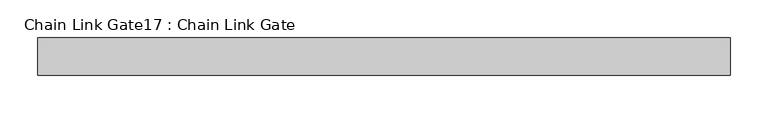
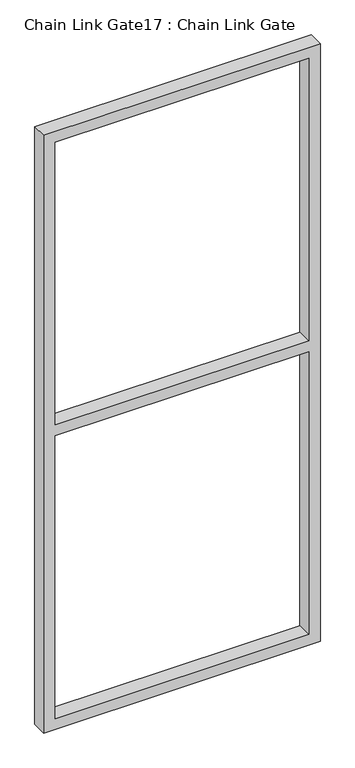
"""IFC4 building model written with IfcOpenShell, lengths in millimetres: proxy geometry, Chain Link Gate17 : Chain Link Gate."""

from ifc_helpers import new_model, si_unit, frame, origin, place, context, project, spatial, polyline, outline, extrude, source, transform, mapped, element, save


def chain_link_gate17_chain_link_gate_a4f218e4(model_context):
    return source(origin(), model_context, "Body", "SweptSolid", [
        extrude(outline(polyline([(2120.9, -26318.8012828), (12.7, -26318.8012828), (12.7, -25394.8762828), (2120.9, -25394.8762828), (2120.9, -26318.8012828)]), holes=[polyline([(2082.8, -26280.7012828), (2082.8, -25432.9762828), (1085.85, -25432.9762828), (1085.85, -26280.7012828), (2082.8, -26280.7012828)]), polyline([(1047.75, -25432.9762828), (50.8, -25432.9762828), (50.8, -26280.7012828), (1047.75, -26280.7012828), (1047.75, -25432.9762828)])]), frame((0.0, 34964.9480239, 0.0), z_axis=(0.0, 1.0, 0.0), x_axis=(0.0, 0.0, 1.0)), (0.0, 0.0, 1.0), 50.1314753),
    ])


if __name__ == "__main__":
    model = new_model("IFC4")
    model_context = context("Model", 3, world=origin())
    ifc_project = project(units=[si_unit("LENGTHUNIT", "METRE", prefix="MILLI")], contexts=[model_context])
    site = spatial("IfcSite", under=ifc_project)
    building = spatial("IfcBuilding", under=site)
    placement = place(None, origin())
    chain_link_gate17_chain_link_gate_shape = chain_link_gate17_chain_link_gate_a4f218e4(model_context)
    element("IfcBuildingElementProxy", 1, Name="Chain Link Gate17 : Chain Link Gate", ObjectType="Chain Link Gate17 : Chain Link Gate", at=placement, inside=building, context=model_context, shape_type="MappedRepresentation", body=[
        mapped(chain_link_gate17_chain_link_gate_shape, transform((0.0, 0.0, 0.0), x_axis=(1.0, 0.0, 0.0), y_axis=(0.0, 1.0, 0.0), z_axis=(0.0, 0.0, 1.0))),
    ])
    save(model, "model.ifc")
